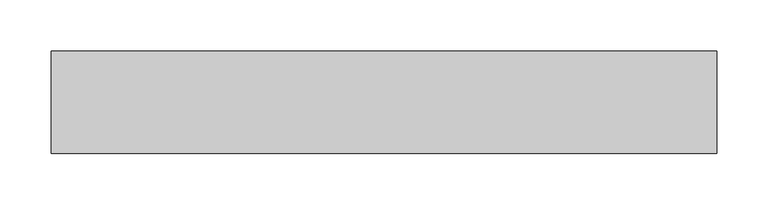
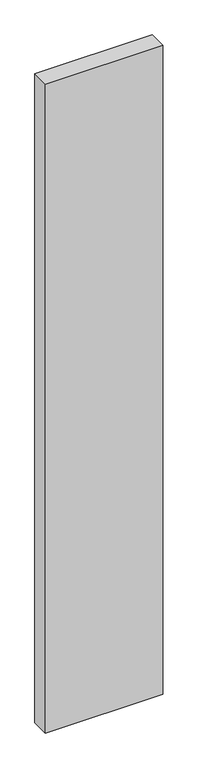
"""IFC4 building model written with IfcOpenShell, lengths in millimetres: proxy geometry."""

from ifc_helpers import new_model, si_unit, frame, origin, place, context, project, spatial, polyline, outline, extrude, source, transform, mapped, element, save


def generic_models_45d5da40(model_context):
    return source(origin(), model_context, "Body", "SweptSolid", [
        extrude(outline(polyline([(650.0, 100.0), (650.0, 0.0), (0.0, 0.0), (0.0, 100.0), (650.0, 100.0)])), frame((0.0, 0.0, -3800.0), z_axis=(0.0, 0.0, 1.0), x_axis=(1.0, 0.0, 0.0)), (0.0, 0.0, 1.0), 3800.0),
    ])


if __name__ == "__main__":
    model = new_model("IFC4")
    model_context = context("Model", 3, world=origin())
    ifc_project = project(units=[si_unit("LENGTHUNIT", "METRE", prefix="MILLI")], contexts=[model_context])
    site = spatial("IfcSite", under=ifc_project)
    building = spatial("IfcBuilding", under=site)
    placement = place(None, origin())
    generic_models_shape = generic_models_45d5da40(model_context)
    element("IfcBuildingElementProxy", 1, Name="Generic Models", at=placement, inside=building, context=model_context, shape_type="MappedRepresentation", body=[
        mapped(generic_models_shape, transform((0.0, 0.0, 0.0), x_axis=(1.0, 0.0, 0.0), y_axis=(0.0, 1.0, 0.0), z_axis=(0.0, 0.0, 1.0))),
    ])
    save(model, "model.ifc")
